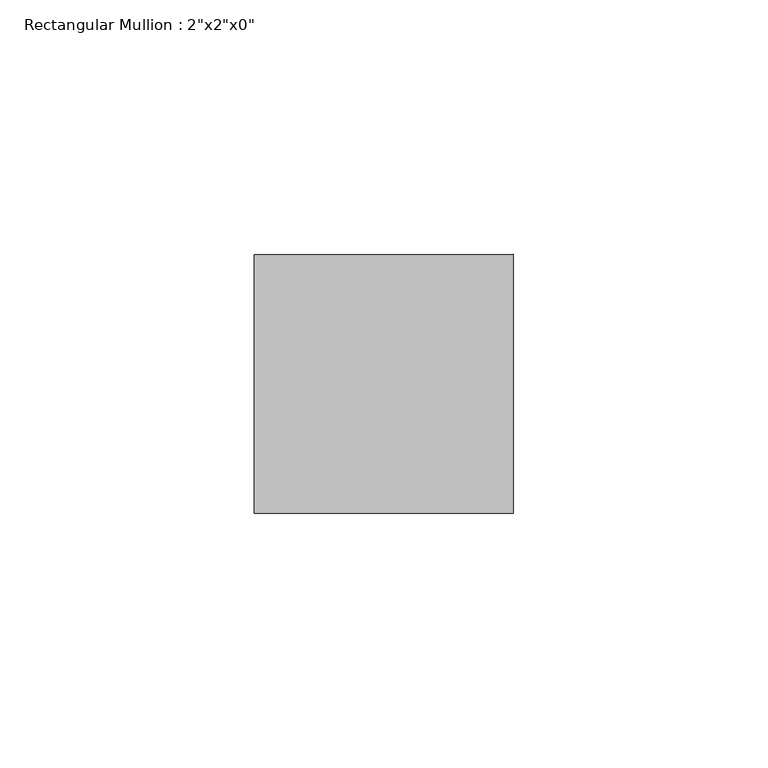
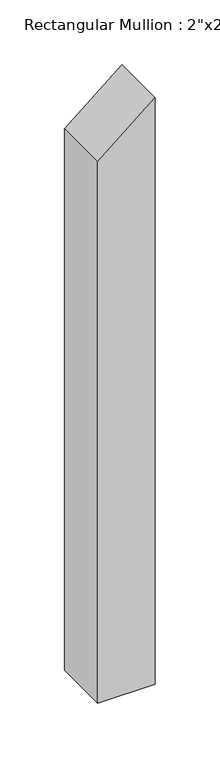
"""IFC4 building model written with IfcOpenShell, lengths in millimetres: member geometry."""

from ifc_helpers import new_model, si_unit, frame, origin, place, context, project, spatial, polyline, outline, extrude, source, transform, mapped, element, save


def member_eedaa1d9(model_context):
    return source(origin(), model_context, "Body", "SweptSolid", [
        extrude(outline(polyline([(-33.0425367, 0.0), (-75.3106916, -50.8), (-583.8247799, -50.8), (-583.8247799, 0.0), (-33.0425367, 0.0)])), frame((0.0, -25.4, 0.0), z_axis=(0.0, 1.0, 0.0), x_axis=(0.0, 0.0, 1.0)), (0.0, 0.0, 1.0), 50.8),
    ])


if __name__ == "__main__":
    model = new_model("IFC4")
    model_context = context("Model", 3, world=origin())
    ifc_project = project(units=[si_unit("LENGTHUNIT", "METRE", prefix="MILLI")], contexts=[model_context])
    site = spatial("IfcSite", under=ifc_project)
    building = spatial("IfcBuilding", under=site)
    placement = place(None, origin())
    member_shape = member_eedaa1d9(model_context)
    element("IfcMember", 1, ObjectType="Rectangular Mullion : 2\"x2\"x0\"", at=placement, inside=building, context=model_context, shape_type="MappedRepresentation", body=[
        mapped(member_shape, transform((0.0, 0.0, 0.0), x_axis=(1.0, 0.0, 0.0), y_axis=(0.0, 1.0, 0.0), z_axis=(0.0, 0.0, 1.0))),
    ])
    save(model, "model.ifc")
